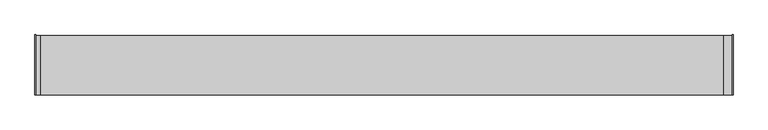
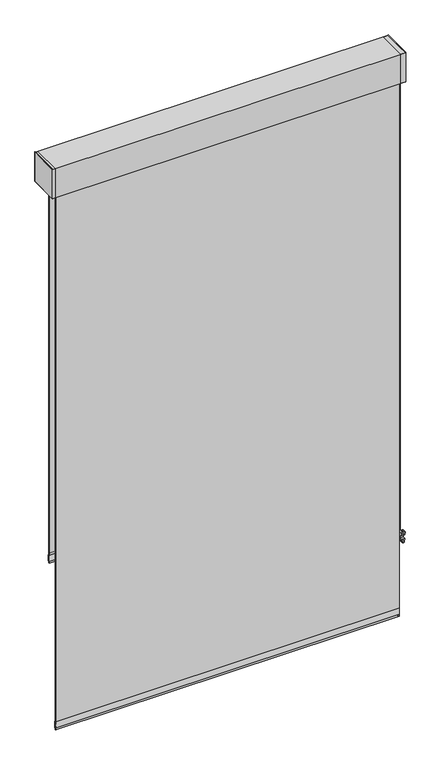
"""IFC4 building model written with IfcOpenShell, lengths in millimetres: proxy geometry."""

from ifc_helpers import new_model, si_unit, point, frame, frame_2d, origin, place, context, project, spatial, polyline, circle_curve, trimmed, segment, composite_curve, outline, extrude, source, transform, mapped, element, save
from ifc_brep_helpers import plane_surface, cylinder_surface, revolved_surface, advanced_brep


def specialty_equipment_ba814b3d(model_context):
    return source(origin(), model_context, "Body", "SolidModel", [
        extrude(outline(composite_curve([segment(trimmed(circle_curve(frame_2d((752.637611, 130.023985)), 1.5875), [point((751.050111, 130.023985))], [point((754.225111, 130.023985))], False, "CARTESIAN"), True, "CONTINUOUS"), segment(trimmed(circle_curve(frame_2d((752.637611, 130.023985)), 1.5875), [point((754.225111, 130.023985))], [point((751.050111, 130.023985))], False, "CARTESIAN"), True, "CONTINUOUS")], self_intersect=False)), frame((0.0, 0.0, -771.4837606), z_axis=(0.0, 0.0, 1.0), x_axis=(1.0, 0.0, 0.0)), (0.0, 0.0, 1.0), 2072.64),
        extrude(outline(composite_curve([segment(trimmed(circle_curve(frame_2d((752.637611, 161.773985)), 1.5875), [point((751.050111, 161.773985))], [point((754.225111, 161.773985))], False, "CARTESIAN"), True, "CONTINUOUS"), segment(trimmed(circle_curve(frame_2d((752.637611, 161.773985)), 1.5875), [point((754.225111, 161.773985))], [point((751.050111, 161.773985))], False, "CARTESIAN"), True, "CONTINUOUS")], self_intersect=False)), frame((0.0, 0.0, -771.4837606), z_axis=(0.0, 0.0, 1.0), x_axis=(1.0, 0.0, 0.0)), (0.0, 0.0, 1.0), 2072.64),
        advanced_brep(
        [(754.7975373, 114.3, -748.5031492), (759.8345279, 114.3, -754.1318492), (755.147822, 114.3, -796.2412853), (752.1866072, 114.3, -798.8912064), (749.7153928, 114.3, -798.8912064), (746.754178, 114.3, -796.2412853), (742.0674721, 114.3, -754.1318492), (747.1044627, 114.3, -748.5031492), (747.776, 114.3, -755.1453529), (754.126, 114.3, -755.1453529), (747.776, 114.3, -790.8641029), (754.126, 114.3, -790.8641029), (754.7975373, 101.6, -748.5031492), (747.1044627, 101.6, -748.5031492), (742.0674721, 101.6, -754.1318492), (743.2919654, 101.6, -765.1337606), (758.6100346, 101.6, -765.1337606), (759.8345279, 101.6, -754.1318492), (747.776, 101.6, -755.1453529), (754.126, 101.6, -755.1453529), (746.754178, 101.6, -796.2412853), (749.7153928, 101.6, -798.8912064), (752.1866072, 101.6, -798.8912064), (755.147822, 101.6, -796.2412853), (756.9731218, 101.6, -779.8412064), (744.9288782, 101.6, -779.8412064), (747.776, 101.6, -790.8641029), (754.126, 101.6, -790.8641029), (758.6100346, 111.125, -765.1337606), (756.9731218, 111.125, -779.8412064), (744.9288782, 111.125, -779.8412064), (743.2919654, 111.125, -765.1337606)],
        [
            (0, 1, circle_curve(frame((754.7975373, 114.3, -753.5712411), z_axis=(0.0, 1.0, 0.0), x_axis=(-1.0, 0.0, 0.0)), 5.0680919)),
            (1, 2),
            (2, 3, circle_curve(frame((752.1866072, 114.3, -795.9117073), z_axis=(0.0, 1.0, 0.0), x_axis=(-1.0, 0.0, 0.0)), 2.9794991)),
            (3, 4),
            (4, 5, circle_curve(frame((749.7153928, 114.3, -795.9117073), z_axis=(0.0, 1.0, 0.0), x_axis=(1.0, 0.0, 0.0)), 2.9794991)),
            (5, 6),
            (6, 7, circle_curve(frame((747.1044627, 114.3, -753.5712411), z_axis=(0.0, 1.0, 0.0), x_axis=(1.0, 0.0, 0.0)), 5.0680919)),
            (7, 0),
            (8, 9, circle_curve(frame((750.951, 114.3, -755.1453529), z_axis=(0.0, -1.0, 0.0), x_axis=(1.0, 0.0, 0.0)), 3.175)),
            (9, 8, circle_curve(frame((750.951, 114.3, -755.1453529), z_axis=(0.0, -1.0, 0.0), x_axis=(1.0, 0.0, 0.0)), 3.175)),
            (10, 11, circle_curve(frame((750.951, 114.3, -790.8641029), z_axis=(0.0, -1.0, 0.0), x_axis=(1.0, 0.0, 0.0)), 3.175)),
            (11, 10, circle_curve(frame((750.951, 114.3, -790.8641029), z_axis=(0.0, -1.0, 0.0), x_axis=(1.0, 0.0, 0.0)), 3.175)),
            (12, 13),
            (13, 14, circle_curve(frame((747.1044627, 101.6, -753.5712411), z_axis=(0.0, -1.0, 0.0), x_axis=(1.0, 0.0, 0.0)), 5.0680919)),
            (14, 15),
            (15, 16),
            (16, 17),
            (17, 12, circle_curve(frame((754.7975373, 101.6, -753.5712411), z_axis=(0.0, -1.0, 0.0), x_axis=(-1.0, 0.0, 0.0)), 5.0680919)),
            (18, 19, circle_curve(frame((750.951, 101.6, -755.1453529), z_axis=(0.0, 1.0, 0.0), x_axis=(1.0, 0.0, 0.0)), 3.175)),
            (19, 18, circle_curve(frame((750.951, 101.6, -755.1453529), z_axis=(0.0, 1.0, 0.0), x_axis=(1.0, 0.0, 0.0)), 3.175)),
            (20, 21, circle_curve(frame((749.7153928, 101.6, -795.9117073), z_axis=(0.0, -1.0, 0.0), x_axis=(1.0, 0.0, 0.0)), 2.9794991)),
            (21, 22),
            (22, 23, circle_curve(frame((752.1866072, 101.6, -795.9117073), z_axis=(0.0, -1.0, 0.0), x_axis=(-1.0, 0.0, 0.0)), 2.9794991)),
            (23, 24),
            (24, 25),
            (25, 20),
            (26, 27, circle_curve(frame((750.951, 101.6, -790.8641029), z_axis=(0.0, 1.0, 0.0), x_axis=(1.0, 0.0, 0.0)), 3.175)),
            (27, 26, circle_curve(frame((750.951, 101.6, -790.8641029), z_axis=(0.0, 1.0, 0.0), x_axis=(1.0, 0.0, 0.0)), 3.175)),
            (0, 12),
            (17, 1),
            (16, 28),
            (28, 29),
            (29, 24),
            (23, 2),
            (22, 3),
            (21, 4),
            (20, 5),
            (25, 30),
            (30, 31),
            (31, 15),
            (14, 6),
            (13, 7),
            (8, 18),
            (19, 9),
            (10, 26),
            (27, 11),
            (28, 31),
            (30, 29),
        ],
        [
            plane_surface(frame((749.7294454, 114.3, -753.5712411), z_axis=(0.0, 1.0, 0.0), x_axis=(0.0, 0.0, 1.0))),
            plane_surface(frame((749.7294454, 101.6, -753.5712411), z_axis=(0.0, -1.0, 0.0), x_axis=(0.0, 0.0, -1.0))),
            cylinder_surface(frame((754.7975373, 101.6, -753.5712411), z_axis=(0.0, 1.0, 0.0), x_axis=(-1.0, 0.0, 0.0)), 5.0680919),
            plane_surface(frame((759.8345279, 114.3, -754.1318492), z_axis=(0.9938633059315283, 0.0, -0.11061523006735367), x_axis=(0.0, -1.0, 0.0))),
            cylinder_surface(frame((752.1866072, 101.6, -795.9117073), z_axis=(0.0, 1.0, 0.0), x_axis=(-1.0, 0.0, 0.0)), 2.9794991),
            plane_surface(frame((752.1866072, 114.3, -798.8912064), z_axis=(0.0, 0.0, -1.0), x_axis=(0.0, -1.0, 0.0))),
            cylinder_surface(frame((749.7153928, 101.6, -795.9117073), z_axis=(0.0, 1.0, 0.0), x_axis=(1.0, 0.0, 0.0)), 2.9794991),
            plane_surface(frame((746.754178, 114.3, -796.2412853), z_axis=(-0.9938633059315276, 0.0, -0.11061523006736003), x_axis=(0.0, -1.0, 0.0))),
            cylinder_surface(frame((747.1044627, 101.6, -753.5712411), z_axis=(0.0, 1.0, 0.0), x_axis=(1.0, 0.0, 0.0)), 5.0680919),
            plane_surface(frame((747.1044627, 114.3, -748.5031492), z_axis=(0.0, 0.0, 1.0), x_axis=(0.0, -1.0, 0.0))),
            revolved_surface(polyline([(754.126, 101.6, -755.1453529), (754.126, 114.3, -755.1453529)]), (750.951, 101.6, -755.1453529), (0.0, -1.0, 0.0)),
            revolved_surface(polyline([(754.126, 101.6, -790.8641029), (754.126, 114.3, -790.8641029)]), (750.951, 101.6, -790.8641029), (0.0, -1.0, 0.0)),
            plane_surface(frame((732.092928, 111.125, -779.8412064), z_axis=(0.0, -1.0, 0.0), x_axis=(-1.0, 0.0, 0.0))),
            plane_surface(frame((759.6783137, 111.125, -779.8412064), z_axis=(0.0, 0.0, 1.0), x_axis=(0.0, -1.0, 0.0))),
            plane_surface(frame((741.8653132, 111.125, -765.1337606), z_axis=(0.0, 0.0, -1.0), x_axis=(0.0, -1.0, 0.0))),
        ],
        [
            (0, [[1, 2, 3, 4, 5, 6, 7, 8], [9, 10], [11, 12]]),
            (1, [[13, 14, 15, 16, 17, 18], [19, 20]]),
            (1, [[21, 22, 23, 24, 25, 26], [27, 28]]),
            (2, [[-1, 29, -18, 30]]),
            (3, [[-2, -30, -17, 31, 32, 33, -24, 34]]),
            (4, [[-3, -34, -23, 35]]),
            (5, [[-4, -35, -22, 36]]),
            (6, [[-5, -36, -21, 37]]),
            (7, [[-6, -37, -26, 38, 39, 40, -15, 41]]),
            (8, [[-7, -41, -14, 42]]),
            (9, [[-8, -42, -13, -29]]),
            (10, [[-9, 43, -20, 44]]),
            (10, [[-10, -44, -19, -43]]),
            (11, [[-11, 45, -28, 46]]),
            (11, [[-12, -46, -27, -45]]),
            (12, [[47, -39, 48, -32]]),
            (13, [[-48, -38, -25, -33]]),
            (14, [[-47, -31, -16, -40]]),
        ],
    ),
        extrude(outline(composite_curve([segment(trimmed(circle_curve(frame_2d((752.637611, 156.217735)), 1.5875), [point((751.050111, 156.217735))], [point((754.225111, 156.217735))], False, "CARTESIAN"), True, "CONTINUOUS"), segment(trimmed(circle_curve(frame_2d((752.637611, 156.217735)), 1.5875), [point((754.225111, 156.217735))], [point((751.050111, 156.217735))], False, "CARTESIAN"), True, "CONTINUOUS")], self_intersect=False)), frame((0.0, 0.0, -771.4837606), z_axis=(0.0, 0.0, 1.0), x_axis=(1.0, 0.0, 0.0)), (0.0, 0.0, 1.0), 2072.64),
        extrude(outline(composite_curve([segment(trimmed(circle_curve(frame_2d((752.637611, 187.967735)), 1.5875), [point((751.050111, 187.967735))], [point((754.225111, 187.967735))], False, "CARTESIAN"), True, "CONTINUOUS"), segment(trimmed(circle_curve(frame_2d((752.637611, 187.967735)), 1.5875), [point((754.225111, 187.967735))], [point((751.050111, 187.967735))], False, "CARTESIAN"), True, "CONTINUOUS")], self_intersect=False)), frame((0.0, 0.0, -771.4837606), z_axis=(0.0, 0.0, 1.0), x_axis=(1.0, 0.0, 0.0)), (0.0, 0.0, 1.0), 2072.64),
        extrude(outline(polyline([(762.0, 231.378125), (762.0, 101.6), (741.426, 101.6), (741.426, 231.378125), (762.0, 231.378125)])), frame((0.0, 0.0, 1301.1562394), z_axis=(0.0, 0.0, 1.0), x_axis=(1.0, 0.0, 0.0)), (0.0, 0.0, 1.0), 131.8617187),
        extrude(outline(polyline([(762.0, 101.6), (760.4125, 101.6), (760.4125, 232.965625), (762.0, 232.965625), (762.0, 101.6)])), frame((0.0, 0.0, 1299.5687394), z_axis=(0.0, 0.0, 1.0), x_axis=(1.0, 0.0, 0.0)), (0.0, 0.0, 1.0), 135.0367188),
        extrude(outline(polyline([(-750.316, 231.378125), (-750.316, 101.6), (-762.0, 101.6), (-762.0, 231.378125), (-750.316, 231.378125)])), frame((0.0, 0.0, 1301.1562394), z_axis=(0.0, 0.0, 1.0), x_axis=(1.0, 0.0, 0.0)), (0.0, 0.0, 1.0), 131.8617187),
        extrude(outline(polyline([(-762.0, 232.965625), (-760.4125, 232.965625), (-760.4125, 101.6), (-762.0, 101.6), (-762.0, 232.965625)])), frame((0.0, 0.0, 1299.5687394), z_axis=(0.0, 0.0, 1.0), x_axis=(1.0, 0.0, 0.0)), (0.0, 0.0, 1.0), 135.0367188),
        extrude(outline(polyline([(-762.0, 231.378125), (762.0, 231.378125), (762.0, 101.6), (-762.0, 101.6), (-762.0, 231.378125)])), frame((0.0, 0.0, 1301.1562394), z_axis=(0.0, 0.0, 1.0), x_axis=(1.0, 0.0, 0.0)), (0.0, 0.0, 1.0), 131.8617187),
        extrude(outline(polyline([(741.426, 161.925), (-741.426, 161.925), (-741.426, 165.1), (741.426, 165.1), (741.426, 161.925)])), frame((0.0, 0.0, -405.7237606), z_axis=(0.0, 0.0, 1.0), x_axis=(1.0, 0.0, 0.0)), (0.0, 0.0, 1.0), 1706.88),
        extrude(outline(polyline([(741.426, 114.3), (-741.426, 114.3), (-741.426, 117.475), (741.426, 117.475), (741.426, 114.3)])), frame((0.0, 0.0, -1137.2437606), z_axis=(0.0, 0.0, 1.0), x_axis=(1.0, 0.0, 0.0)), (0.0, 0.0, 1.0), 2438.4),
        extrude(outline(composite_curve([segment(polyline([(165.094371, -405.733723), (163.5227274, -405.733723)]), True, "CONTINUOUS"), segment(trimmed(circle_curve(frame_2d((222.3575729, -384.3230289)), 62.6095589), [point((163.5227274, -405.733723))], [point((163.905297, -361.8889408))], False, "CARTESIAN"), True, "CONTINUOUS"), segment(trimmed(circle_curve(frame_2d((164.3085492, -362.0779712)), 0.4453592), [point((163.905297, -361.8889408))], [point((164.7118014, -361.8889408))], False, "CARTESIAN"), True, "CONTINUOUS"), segment(trimmed(circle_curve(frame_2d((106.2595255, -384.3230289)), 62.6095589), [point((164.7118014, -361.8889408))], [point((165.094371, -405.733723))], False, "CARTESIAN"), True, "CONTINUOUS")], self_intersect=False)), frame((-741.426, 0.0, 0.0), z_axis=(1.0, 0.0, 0.0), x_axis=(0.0, 1.0, 0.0)), (0.0, 0.0, 1.0), 1482.852),
        extrude(outline(composite_curve([segment(polyline([(115.9109476, -1093.1658784), (117.4825911, -1093.1658784)]), True, "CONTINUOUS"), segment(trimmed(circle_curve(frame_2d((58.6477456, -1114.5765725)), 62.6095589), [point((117.4825911, -1093.1658784))], [point((117.1000216, -1137.0106606))], False, "CARTESIAN"), True, "CONTINUOUS"), segment(trimmed(circle_curve(frame_2d((116.6967693, -1136.8216302)), 0.4453592), [point((117.1000216, -1137.0106606))], [point((116.2935171, -1137.0106606))], False, "CARTESIAN"), True, "CONTINUOUS"), segment(trimmed(circle_curve(frame_2d((174.7457931, -1114.5765725)), 62.6095589), [point((116.2935171, -1137.0106606))], [point((115.9109476, -1093.1658784))], False, "CARTESIAN"), True, "CONTINUOUS")], self_intersect=False)), frame((-741.426, 0.0, 0.0), z_axis=(1.0, 0.0, 0.0), x_axis=(0.0, 1.0, 0.0)), (0.0, 0.0, 1.0), 1482.852),
    ])


if __name__ == "__main__":
    model = new_model("IFC4")
    model_context = context("Model", 3, world=origin())
    ifc_project = project(units=[si_unit("LENGTHUNIT", "METRE", prefix="MILLI")], contexts=[model_context])
    site = spatial("IfcSite", under=ifc_project)
    building = spatial("IfcBuilding", under=site)
    placement = place(None, origin())
    specialty_equipment_shape = specialty_equipment_ba814b3d(model_context)
    element("IfcBuildingElementProxy", 1, Name="Specialty Equipment", at=placement, inside=building, context=model_context, shape_type="MappedRepresentation", body=[
        mapped(specialty_equipment_shape, transform((0.0, 0.0, 0.0), x_axis=(1.0, 0.0, 0.0), y_axis=(0.0, 1.0, 0.0), z_axis=(0.0, 0.0, 1.0))),
    ])
    save(model, "model.ifc")
